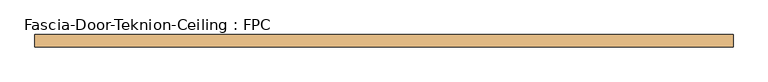
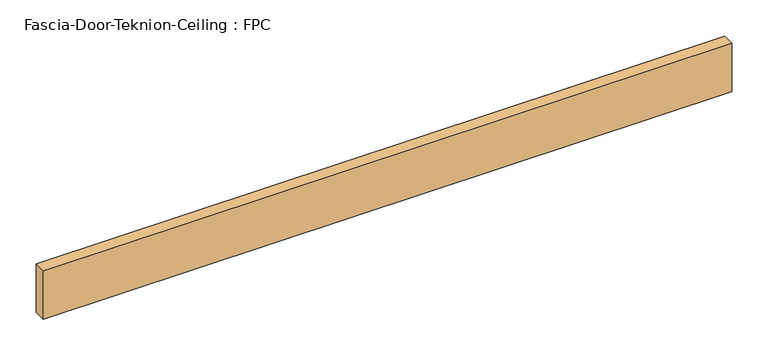
"""IFC4 building model written with IfcOpenShell, lengths in millimetres: door geometry, Fascia-Door-Teknion-Ceiling : FPC."""

from ifc_helpers import new_model, si_unit, origin, origin_with_axes, place, context, project, spatial, polyline, outline, extrude, source, transform, mapped, element, save


def fascia_door_teknion_ceiling_fpc_cee98132(model_context):
    return source(origin(), model_context, "Body", "SweptSolid", [
        extrude(outline(polyline([(544.8101563, 0.0), (-544.8101562, 0.0), (-544.8101562, 19.05), (544.8101563, 19.05), (544.8101563, 0.0)])), origin_with_axes(), (0.0, 0.0, 1.0), 81.28),
    ])


if __name__ == "__main__":
    model = new_model("IFC4")
    model_context = context("Model", 3, world=origin())
    ifc_project = project(units=[si_unit("LENGTHUNIT", "METRE", prefix="MILLI")], contexts=[model_context])
    site = spatial("IfcSite", under=ifc_project)
    building = spatial("IfcBuilding", under=site)
    placement = place(None, origin())
    fascia_door_teknion_ceiling_fpc_shape = fascia_door_teknion_ceiling_fpc_cee98132(model_context)
    element("IfcDoor", 1, ObjectType="Fascia-Door-Teknion-Ceiling : FPC", at=placement, inside=building, context=model_context, shape_type="MappedRepresentation", body=[
        mapped(fascia_door_teknion_ceiling_fpc_shape, transform((0.0, 0.0, 0.0), x_axis=(1.0, 0.0, 0.0), y_axis=(0.0, 1.0, 0.0), z_axis=(0.0, 0.0, 1.0))),
    ])
    save(model, "model.ifc")
